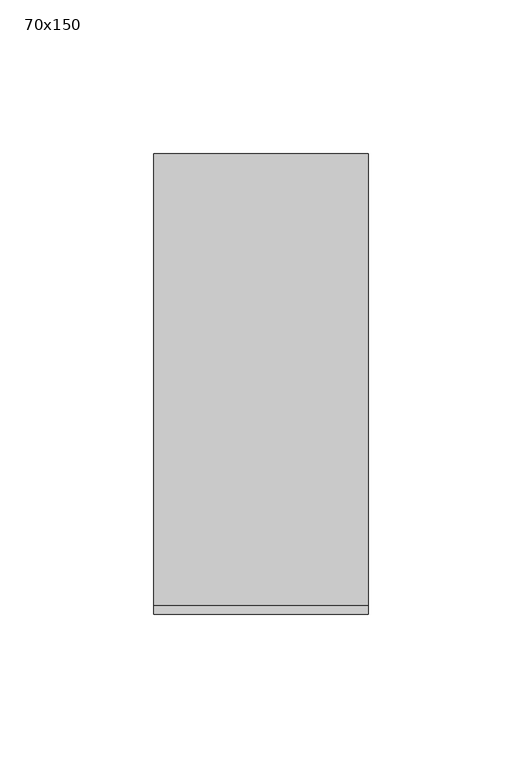
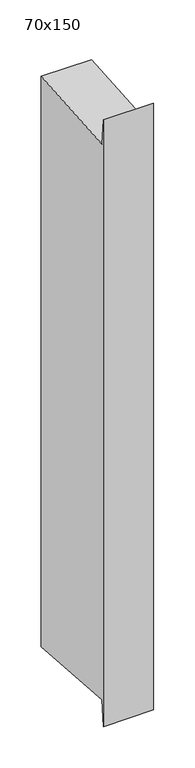
"""IFC4 building model written with IfcOpenShell, lengths in millimetres: member geometry, 70x150."""

from ifc_helpers import new_model, si_unit, frame, origin, place, context, project, spatial, polyline, outline, extrude, source, transform, mapped, element, save


def member_70x150_de2330a6(model_context):
    return source(origin(), model_context, "Body", "SweptSolid", [
        extrude(outline(polyline([(-75.0, 32.2404626), (-72.2251205, -5.4169763), (75.0, 5.431663), (75.0, -835.431663), (-72.2251205, -824.5830237), (-75.0, -862.2404626), (-75.0, 32.2404626)])), frame((-70.0, 0.0, 0.0), z_axis=(1.0, 0.0, 0.0), x_axis=(0.0, 1.0, 0.0)), (0.0, 0.0, 1.0), 70.0),
    ])


if __name__ == "__main__":
    model = new_model("IFC4")
    model_context = context("Model", 3, world=origin())
    ifc_project = project(units=[si_unit("LENGTHUNIT", "METRE", prefix="MILLI")], contexts=[model_context])
    site = spatial("IfcSite", under=ifc_project)
    building = spatial("IfcBuilding", under=site)
    placement = place(None, origin())
    member_70x150_shape = member_70x150_de2330a6(model_context)
    element("IfcMember", 1, ObjectType="70x150", at=placement, inside=building, context=model_context, shape_type="MappedRepresentation", body=[
        mapped(member_70x150_shape, transform((0.0, 0.0, 0.0), x_axis=(1.0, 0.0, 0.0), y_axis=(0.0, 1.0, 0.0), z_axis=(0.0, 0.0, 1.0))),
    ])
    save(model, "model.ifc")
